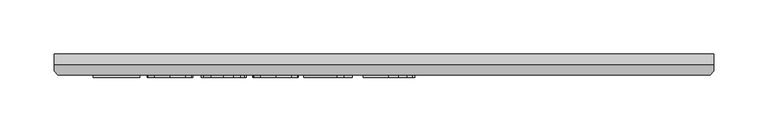
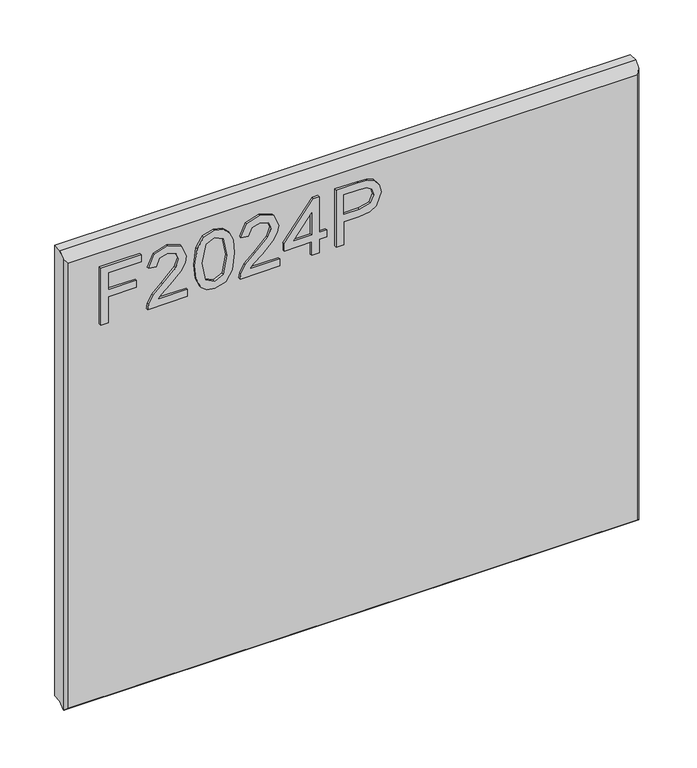
"""IFC4 building model written with IfcOpenShell, lengths in millimetres: furniture geometry."""

from ifc_helpers import new_model, si_unit, frame, origin, place, context, project, spatial, polyline, outline, extrude, faceted_brep, source, transform, mapped, element, save


def furniture_36db8422(model_context):
    return source(origin(), model_context, "Body", "SolidModel", [
        extrude(outline(polyline([(2030.5117188, -249.8436441), (2030.5117188, -241.8699245), (2059.4164524, -241.8699245), (2059.4164524, -211.9684759), (2067.390172, -211.9684759), (2067.390172, -241.8699245), (2086.3277561, -241.8699245), (2086.3277561, -206.9849011), (2094.3014757, -206.9849011), (2094.3014757, -249.8436441), (2030.5117188, -249.8436441)])), frame((0.0, -21.9273437, 0.0), z_axis=(0.0, 1.0, 0.0), x_axis=(0.0, 0.0, 1.0)), (0.0, 0.0, 1.0), 2.38125),
        extrude(outline(polyline([(2038.4854384, -158.1458685), (2038.4854384, -189.4645211), (2042.5423797, -185.8670031), (2050.2124127, -176.6941108), (2061.137343, -165.270823), (2068.9553259, -160.5597875), (2076.5163433, -159.1425834), (2089.1933116, -164.3986974), (2094.3014757, -178.671967), (2089.7072427, -192.8985156), (2076.3606066, -199.0111815), (2075.3638916, -191.0374619), (2083.4154796, -187.6813358), (2086.3277561, -178.8432774), (2083.3453981, -170.3634135), (2076.0335595, -167.116303), (2067.0008302, -170.5580844), (2053.7164887, -184.3252096), (2044.4735149, -194.3079328), (2036.0092247, -199.1513445), (2030.5117188, -200.0078965), (2030.5117188, -158.1458685), (2038.4854384, -158.1458685)])), frame((0.0, -21.9273437, 0.0), z_axis=(0.0, 1.0, 0.0), x_axis=(0.0, 0.0, 1.0)), (0.0, 0.0, 1.0), 2.38125),
        extrude(outline(polyline([(2061.8926661, -150.1721488), (2046.3773962, -148.5836344), (2035.5887355, -143.818091), (2031.0334367, -137.5263279), (2029.5150038, -129.2411348), (2033.011293, -117.5686683), (2043.616963, -110.6305978), (2061.8926661, -108.3101208), (2076.8823245, -109.7584723), (2086.3199692, -113.4961533), (2092.2457511, -119.9280795), (2094.3014757, -129.2411348), (2090.828547, -140.8668803), (2080.2462375, -147.8283113), (2061.8926661, -150.1721488)]), holes=[polyline([(2061.9082397, -142.1984292), (2082.0605702, -138.3361588), (2086.3277561, -129.3345769), (2081.4843444, -119.8969322), (2061.9082397, -116.2838405), (2042.1218906, -120.0215215), (2037.4887234, -129.2411348), (2042.1063169, -138.4607482), (2061.9082397, -142.1984292)])]), frame((0.0, -21.9273438, 0.0), z_axis=(0.0, 1.0, 0.0), x_axis=(0.0, 0.0, 1.0)), (0.0, 0.0, 1.0), 2.38125),
        extrude(outline(polyline([(2038.4854384, -60.4678031), (2038.4854384, -91.7864558), (2042.5423797, -88.1889378), (2050.2124127, -79.0160455), (2061.137343, -67.5927577), (2068.9553259, -62.8817222), (2076.5163433, -61.4645181), (2089.1933116, -66.7206321), (2094.3014757, -80.9939017), (2089.7072427, -95.2204503), (2076.3606066, -101.3331162), (2075.3638916, -93.3593966), (2083.4154796, -90.0032704), (2086.3277561, -81.1652121), (2083.3453981, -72.6853481), (2076.0335595, -69.4382377), (2067.0008302, -72.880019), (2053.7164887, -86.6471443), (2044.4735149, -96.6298675), (2036.0092247, -101.4732792), (2030.5117188, -102.3298311), (2030.5117188, -60.4678031), (2038.4854384, -60.4678031)])), frame((0.0, -21.9273437, 0.0), z_axis=(0.0, 1.0, 0.0), x_axis=(0.0, 0.0, 1.0)), (0.0, 0.0, 1.0), 2.38125),
        extrude(outline(polyline([(2030.5117188, -26.5794948), (2030.5117188, -18.6057751), (2045.462443, -18.6057751), (2045.462443, -10.6320555), (2053.4361627, -10.6320555), (2053.4361627, -18.6057751), (2093.3047607, -18.6057751), (2093.3047607, -24.5860649), (2053.4361627, -55.4842284), (2045.462443, -55.4842284), (2045.462443, -26.5794948), (2030.5117188, -26.5794948)]), holes=[polyline([(2053.4361627, -26.5794948), (2053.4361627, -45.6728156), (2078.0737104, -26.5794948), (2053.4361627, -26.5794948)])]), frame((0.0, -21.9273438, 0.0), z_axis=(0.0, 1.0, 0.0), x_axis=(0.0, 0.0, 1.0)), (0.0, 0.0, 1.0), 2.38125),
        extrude(outline(polyline([(2030.5117188, -0.664906), (2030.5117188, 7.3088136), (2056.4263075, 7.3088136), (2056.4263075, 23.5210053), (2057.8357247, 34.8489043), (2062.0639765, 42.0458871), (2075.8466754, 47.1774117), (2084.5445707, 45.2774238), (2090.7117445, 40.2549149), (2093.6941025, 32.5070135), (2094.3014757, 22.9759268), (2094.3014757, -0.664906), (2030.5117188, -0.664906)]), holes=[polyline([(2064.4000271, 7.3088136), (2086.3277561, 7.3088136), (2086.3277561, 23.8013313), (2085.7826776, 31.775051), (2082.1695859, 37.1557543), (2075.5663493, 39.2036921), (2067.3278773, 35.7307634), (2064.4000271, 23.9882154), (2064.4000271, 7.3088136)])]), frame((0.0, -21.9273438, 0.0), z_axis=(0.0, 1.0, 0.0), x_axis=(0.0, 0.0, 1.0)), (0.0, 0.0, 1.0), 2.38125),
        faceted_brep([(323.5377049, 0.0, 2119.4117187), (-286.0622951, 0.0, 2119.4117187), (-286.0622951, -10.0314449, 2119.4117187), (323.5377049, -10.0314449, 2119.4117187), (-286.0622951, 0.0, 1614.884375), (323.5377049, 0.0, 1614.884375), (323.5377049, -10.0314449, 1614.884375), (-286.0622951, -10.0314449, 1614.884375), (-286.0622951, -15.7726273, 1609.1431927), (-286.0622951, -15.7726273, 2113.6705364), (-282.8959807, -19.5460937, 1611.709375), (320.3713906, -19.5460937, 1611.709375), (320.3713906, -19.5460937, 2109.8970699), (-282.8959807, -19.5460937, 2109.8970699), (323.5377049, -15.7726273, 2113.6705364), (323.5377049, -15.7726273, 1609.1431927), (-285.5514364, -16.3814449, 1608.534375), (323.0268462, -16.3814449, 1608.534375)], [[[0, 1, 2, 3]], [[4, 5, 6, 7]], [[1, 4, 7, 8, 9, 2]], [[10, 11, 12, 13]], [[5, 0, 3, 14, 15, 6]], [[1, 0, 5, 4]], [[11, 10, 16, 17]], [[7, 6, 15, 17, 16, 8]], [[3, 2, 9, 13, 12, 14]], [[9, 8, 16, 10, 13]], [[12, 11, 17, 15, 14]]]),
    ])


if __name__ == "__main__":
    model = new_model("IFC4")
    model_context = context("Model", 3, world=origin())
    ifc_project = project(units=[si_unit("LENGTHUNIT", "METRE", prefix="MILLI")], contexts=[model_context])
    site = spatial("IfcSite", under=ifc_project)
    building = spatial("IfcBuilding", under=site)
    placement = place(None, origin())
    furniture_shape = furniture_36db8422(model_context)
    element("IfcFurniture", 1, at=placement, inside=building, context=model_context, shape_type="MappedRepresentation", body=[
        mapped(furniture_shape, transform((0.0, 0.0, 0.0), x_axis=(1.0, 0.0, 0.0), y_axis=(0.0, 1.0, 0.0), z_axis=(0.0, 0.0, 1.0))),
    ])
    save(model, "model.ifc")
